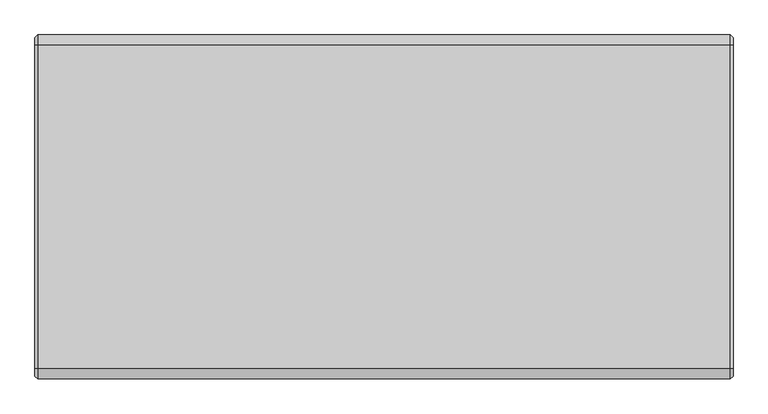
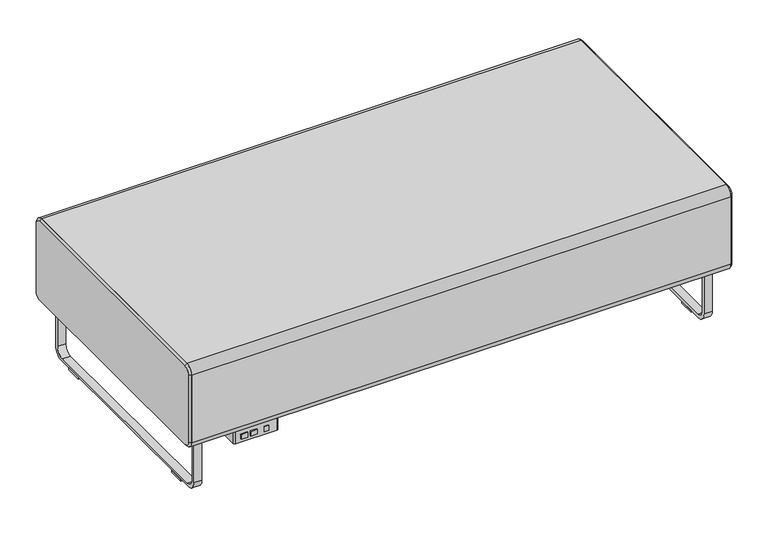
"""IFC4 building model written with IfcOpenShell, lengths in millimetres: furniture geometry."""

from ifc_helpers import new_model, si_unit, point, frame, frame_2d, origin, origin_with_axes, place, context, project, spatial, polyline, circle_curve, trimmed, segment, composite_curve, outline, extrude, source, transform, mapped, element, save
from ifc_brep_helpers import plane_surface, revolved_surface, advanced_brep


def furniture_1f493f3a(model_context):
    return source(origin(), model_context, "Body", "SolidModel", [
        extrude(outline(polyline([(-1084.8135905, -367.8609794), (-1098.6184165, -367.8609794), (-1098.6184165, -364.6859794), (-1084.8135905, -364.6859794), (-1084.8135905, -367.8609794)])), frame((0.0, 0.0, 148.4693805), z_axis=(0.0, 0.0, 1.0), x_axis=(1.0, 0.0, 0.0)), (0.0, 0.0, 1.0), 15.3288336),
        extrude(outline(polyline([(-1120.9260038, -367.8609794), (-1142.3402709, -367.8609794), (-1142.3402709, -364.6859794), (-1120.9260038, -364.6859794), (-1120.9260038, -367.8609794)])), frame((0.0, 0.0, 148.4693805), z_axis=(0.0, 0.0, 1.0), x_axis=(1.0, 0.0, 0.0)), (0.0, 0.0, 1.0), 15.3288336),
        extrude(outline(polyline([(-1151.1520036, -367.8609794), (-1172.0562055, -367.8609794), (-1172.0562055, -364.6859794), (-1151.1520036, -364.6859794), (-1151.1520036, -367.8609794)])), frame((0.0, 0.0, 148.4693805), z_axis=(0.0, 0.0, 1.0), x_axis=(1.0, 0.0, 0.0)), (0.0, 0.0, 1.0), 15.3288336),
        extrude(outline(composite_curve([segment(trimmed(circle_curve(frame_2d((-1053.3937537, -295.6297294)), 0.79375), [point((-1053.3937537, -294.8359794))], [point((-1052.6000037, -295.6297294))], False, "CARTESIAN"), True, "CONTINUOUS"), segment(polyline([(-1052.6000037, -295.6297294), (-1052.6000037, -358.3359794)]), True, "CONTINUOUS"), segment(trimmed(circle_curve(frame_2d((-1058.9500037, -358.3359794)), 6.35), [point((-1052.6000037, -358.3359794))], [point((-1058.9500037, -364.6859794))], False, "CARTESIAN"), True, "CONTINUOUS"), segment(polyline([(-1058.9500037, -364.6859794), (-1185.9500037, -364.6859794)]), True, "CONTINUOUS"), segment(trimmed(circle_curve(frame_2d((-1185.9500037, -358.3359794)), 6.35), [point((-1185.9500037, -364.6859794))], [point((-1192.3000037, -358.3359794))], False, "CARTESIAN"), True, "CONTINUOUS"), segment(polyline([(-1192.3000037, -358.3359794), (-1192.3000037, -295.6297294)]), True, "CONTINUOUS"), segment(trimmed(circle_curve(frame_2d((-1191.5062537, -295.6297294)), 0.79375), [point((-1192.3000037, -295.6297294))], [point((-1191.5062537, -294.8359794))], False, "CARTESIAN"), True, "CONTINUOUS"), segment(polyline([(-1191.5062537, -294.8359794), (-1053.3937537, -294.8359794)]), True, "CONTINUOUS")], self_intersect=False)), frame((0.0, 0.0, 136.525), z_axis=(0.0, 0.0, 1.0), x_axis=(1.0, 0.0, 0.0)), (0.0, 0.0, 1.0), 44.45),
        extrude(outline(composite_curve([segment(trimmed(circle_curve(frame_2d((-1043.0750037, -304.3609794)), 3.175), [point((-1043.0750037, -301.1859794))], [point((-1039.9000037, -304.3609794))], False, "CARTESIAN"), True, "CONTINUOUS"), segment(polyline([(-1039.9000037, -304.3609794), (-1039.9000037, -355.1609794)]), True, "CONTINUOUS"), segment(trimmed(circle_curve(frame_2d((-1043.0750037, -355.1609794)), 3.175), [point((-1039.9000037, -355.1609794))], [point((-1043.0750037, -358.3359794))], False, "CARTESIAN"), True, "CONTINUOUS"), segment(polyline([(-1043.0750037, -358.3359794), (-1201.8250037, -358.3359794)]), True, "CONTINUOUS"), segment(trimmed(circle_curve(frame_2d((-1201.8250037, -355.1609794)), 3.175), [point((-1201.8250037, -358.3359794))], [point((-1205.0000037, -355.1609794))], False, "CARTESIAN"), True, "CONTINUOUS"), segment(polyline([(-1205.0000037, -355.1609794), (-1205.0000037, -304.3609794)]), True, "CONTINUOUS"), segment(trimmed(circle_curve(frame_2d((-1201.8250037, -304.3609794)), 3.175), [point((-1205.0000037, -304.3609794))], [point((-1201.8250037, -301.1859794))], False, "CARTESIAN"), True, "CONTINUOUS"), segment(polyline([(-1201.8250037, -301.1859794), (-1043.0750037, -301.1859794)]), True, "CONTINUOUS")], self_intersect=False)), frame((0.0, 0.0, 180.975), z_axis=(0.0, 0.0, 1.0), x_axis=(1.0, 0.0, 0.0)), (0.0, 0.0, 1.0), 3.175),
        advanced_brep(
        [(-1346.2, 422.7140206, 450.85), (-1346.2, 441.7640206, 431.8), (-1346.2, 441.7640206, 209.55), (-1346.2, 422.7140206, 190.5), (-1346.2, -364.6859794, 190.5), (-1346.2, -383.7359794, 209.55), (-1346.2, -383.7359794, 431.8), (-1346.2, -364.6859794, 450.85), (-1339.85, 422.7140206, 457.2), (-1339.85, -364.6859794, 457.2), (-1339.85, -390.0859794, 431.8), (-1339.85, -390.0859794, 209.55), (-1339.85, -364.6859794, 184.15), (-1339.85, 422.7140206, 184.15), (-1339.85, 448.1140206, 209.55), (-1339.85, 448.1140206, 431.8)],
        [
            (0, 1, circle_curve(frame((-1346.2, 422.7140206, 431.8), z_axis=(-1.0, 1.2363443602225919e-12, 0.0), x_axis=(0.0, 0.0, 1.0)), 19.05)),
            (1, 2),
            (2, 3, circle_curve(frame((-1346.2, 422.7140206, 209.55), z_axis=(-1.0, -2.2595258997169582e-12, 0.0), x_axis=(-2.2595200572946624e-12, 1.0, 0.0)), 19.05)),
            (3, 4),
            (4, 5, circle_curve(frame((-1346.2, -364.6859794, 209.55), z_axis=(-1.0, 2.1849189124624325e-12, 0.0), x_axis=(0.0, 0.0, -1.0)), 19.05)),
            (5, 6),
            (6, 7, circle_curve(frame((-1346.2, -364.6859794, 431.8), z_axis=(-1.0, 0.0, 1.6093792964966497e-12), x_axis=(0.0, -1.0, 0.0)), 19.05)),
            (7, 0),
            (8, 9),
            (9, 10, circle_curve(frame((-1339.85, -364.6859794, 431.8), z_axis=(1.0, 0.0, -1.6093792964966497e-12), x_axis=(0.0, -1.0, 0.0)), 25.4)),
            (10, 11),
            (11, 12, circle_curve(frame((-1339.85, -364.6859794, 209.55), z_axis=(1.0, -2.1849189124624325e-12, 0.0), x_axis=(0.0, 0.0, -1.0)), 25.4)),
            (12, 13),
            (13, 14, circle_curve(frame((-1339.85, 422.7140206, 209.55), z_axis=(1.0, 2.2595258997169582e-12, 0.0), x_axis=(-2.2595200572946624e-12, 1.0, 0.0)), 25.4)),
            (14, 15),
            (15, 8, circle_curve(frame((-1339.85, 422.7140206, 431.8), z_axis=(1.0, -1.2363443602225919e-12, 0.0), x_axis=(0.0, 0.0, 1.0)), 25.4)),
            (14, 2),
            (1, 15),
            (12, 4),
            (3, 13),
            (10, 6),
            (5, 11),
            (8, 0),
            (7, 9),
        ],
        [
            plane_surface(frame((-1346.2, 29.0140206, 320.675), z_axis=(-1.0, 0.0, 0.0), x_axis=(0.0, 1.0, 0.0))),
            plane_surface(frame((-1339.85, 29.0140206, 320.675), z_axis=(1.0, 0.0, 0.0), x_axis=(0.0, 1.0, 0.0))),
            plane_surface(frame((-1339.85, 448.1140206, 320.675), z_axis=(-0.7071067811862762, 0.7071067811868188, 0.0), x_axis=(0.0, 0.0, -1.0))),
            plane_surface(frame((-1339.85, 29.0140206, 184.15), z_axis=(-0.7071067811863968, 0.0, -0.7071067811866982), x_axis=(0.0, -1.0, 0.0))),
            plane_surface(frame((-1339.85, -390.0859794, 320.675), z_axis=(-0.707106781186996, -0.7071067811860992, 0.0), x_axis=(0.0, 0.0, 1.0))),
            plane_surface(frame((-1339.85, 29.0140206, 457.2), z_axis=(-0.7071067811865701, 0.0, 0.7071067811865249), x_axis=(0.0, 1.0, 0.0))),
            revolved_surface(polyline([(-1346.2000000000237, 422.7140206, 450.8499999999763), (-1339.85, 422.7140206, 457.2)]), (-1365.25, 422.7140206, 431.8), (1.0, -1.2363443602225919e-12, 0.0)),
            revolved_surface(polyline([(-1346.200000000043, 441.76402059995684, 209.55), (-1339.85, 448.1140206, 209.55)]), (-1365.25, 422.7140206, 209.55), (1.0, 2.2595258997169582e-12, 0.0)),
            revolved_surface(polyline([(-1346.2, -364.6859794, 190.5000000000001), (-1339.8499999999444, -364.6859794, 184.1499999999445)]), (-1365.25, -364.6859794, 209.55), (1.0, -2.1849189124624325e-12, 0.0)),
            revolved_surface(polyline([(-1346.2000000000307, -383.7359793999692, 431.8), (-1339.85, -390.0859794, 431.8)]), (-1365.25, -364.6859794, 431.8), (1.0, 0.0, -1.6093792964966497e-12)),
        ],
        [
            (0, [[1, 2, 3, 4, 5, 6, 7, 8]]),
            (1, [[9, 10, 11, 12, 13, 14, 15, 16]]),
            (2, [[-15, 17, -2, 18]]),
            (3, [[-13, 19, -4, 20]]),
            (4, [[-11, 21, -6, 22]]),
            (5, [[-9, 23, -8, 24]]),
            (6, [[-16, -18, -1, -23]]),
            (7, [[-14, -20, -3, -17]]),
            (8, [[-12, -22, -5, -19]]),
            (9, [[-10, -24, -7, -21]]),
        ],
    ),
        advanced_brep(
        [(355.6, 422.7140206, 450.85), (355.6, -364.6859794, 450.85), (355.6, -383.7359794, 431.8), (355.6, -383.7359794, 209.55), (355.6, -364.6859794, 190.5), (355.6, 422.7140206, 190.5), (355.6, 441.7640206, 209.55), (355.6, 441.7640206, 431.8), (349.25, 422.7140206, 457.2), (349.25, 448.1140206, 431.8), (349.25, 448.1140206, 209.55), (349.25, 422.7140206, 184.15), (349.25, -364.6859794, 184.15), (349.25, -390.0859794, 209.55), (349.25, -390.0859794, 431.8), (349.25, -364.6859794, 457.2)],
        [
            (0, 1),
            (1, 2, circle_curve(frame((355.6, -364.6859794, 431.8), z_axis=(1.0, 0.0, 1.6093792965025676e-12), x_axis=(-1.6093447701453035e-12, 0.0, 1.0)), 19.05)),
            (2, 3),
            (3, 4, circle_curve(frame((355.6, -364.6859794, 209.55), z_axis=(1.0, 2.184918912470443e-12, 0.0), x_axis=(2.1849406655033985e-12, -1.0, 0.0)), 19.05)),
            (4, 5),
            (5, 6, circle_curve(frame((355.6, 422.7140206, 209.55), z_axis=(1.0, -2.2595258997253868e-12, 0.0), x_axis=(0.0, 0.0, -1.0)), 19.05)),
            (6, 7),
            (7, 0, circle_curve(frame((355.6, 422.7140206, 431.8), z_axis=(1.0, 1.2363443602271248e-12, 0.0), x_axis=(-1.236290801964376e-12, 1.0, 0.0)), 19.05)),
            (8, 9, circle_curve(frame((349.25, 422.7140206, 431.8), z_axis=(-1.0, -1.2363443602271248e-12, 0.0), x_axis=(-1.236290801964376e-12, 1.0, 0.0)), 25.4)),
            (9, 10),
            (10, 11, circle_curve(frame((349.25, 422.7140206, 209.55), z_axis=(-1.0, 2.2595258997253868e-12, 0.0), x_axis=(0.0, 0.0, -1.0)), 25.4)),
            (11, 12),
            (12, 13, circle_curve(frame((349.25, -364.6859794, 209.55), z_axis=(-1.0, -2.184918912470443e-12, 0.0), x_axis=(2.1849406655033985e-12, -1.0, 0.0)), 25.4)),
            (13, 14),
            (14, 15, circle_curve(frame((349.25, -364.6859794, 431.8), z_axis=(-1.0, 0.0, -1.6093792965025676e-12), x_axis=(-1.6093447701453035e-12, 0.0, 1.0)), 25.4)),
            (15, 8),
            (9, 7),
            (6, 10),
            (11, 5),
            (4, 12),
            (13, 3),
            (2, 14),
            (15, 1),
            (0, 8),
        ],
        [
            plane_surface(frame((355.6, 29.0140206, 320.675), z_axis=(1.0, 0.0, 0.0), x_axis=(0.0, -1.0, 0.0))),
            plane_surface(frame((349.25, 29.0140206, 320.675), z_axis=(-1.0, 0.0, 0.0), x_axis=(0.0, -1.0, 0.0))),
            plane_surface(frame((349.25, 448.1140206, 320.675), z_axis=(0.7071067811875688, 0.7071067811855264, 0.0), x_axis=(0.0, 0.0, 1.0))),
            plane_surface(frame((349.25, 29.0140206, 184.15), z_axis=(0.7071067811876818, 0.0, -0.7071067811854133), x_axis=(0.0, 1.0, 0.0))),
            plane_surface(frame((349.25, -390.0859794, 320.675), z_axis=(0.7071067811883035, -0.7071067811847915, 0.0), x_axis=(0.0, 0.0, -1.0))),
            plane_surface(frame((349.25, 29.0140206, 457.2), z_axis=(0.7071067811878551, 0.0, 0.70710678118524), x_axis=(0.0, -1.0, 0.0))),
            revolved_surface(polyline([(355.6, 441.7640206, 431.8), (349.2499999999686, 448.1140206000314, 431.8)]), (374.65, 422.7140206, 431.8), (-1.0, -1.2363443602271248e-12, 0.0)),
            revolved_surface(polyline([(355.6, 422.7140206, 190.50000000000003), (349.2499999999426, 422.7140206, 184.14999999994262)]), (374.65, 422.7140206, 209.55), (-1.0, 2.2595258997253868e-12, 0.0)),
            revolved_surface(polyline([(355.60000000004163, -383.73597939995835, 209.55), (349.25, -390.0859794, 209.55)]), (374.65, -364.6859794, 209.55), (-1.0, -2.184918912470443e-12, 0.0)),
            revolved_surface(polyline([(355.6, -364.6859794, 450.84999999999997), (349.24999999995913, -364.6859794, 457.20000000004086)]), (374.65, -364.6859794, 431.8), (-1.0, 0.0, -1.6093792965025676e-12)),
        ],
        [
            (0, [[1, 2, 3, 4, 5, 6, 7, 8]]),
            (1, [[9, 10, 11, 12, 13, 14, 15, 16]]),
            (2, [[-10, 17, -7, 18]]),
            (3, [[-12, 19, -5, 20]]),
            (4, [[-14, 21, -3, 22]]),
            (5, [[-16, 23, -1, 24]]),
            (6, [[-9, -24, -8, -17]]),
            (7, [[-11, -18, -6, -19]]),
            (8, [[-13, -20, -4, -21]]),
            (9, [[-15, -22, -2, -23]]),
        ],
    ),
        extrude(outline(composite_curve([segment(trimmed(circle_curve(frame_2d((371.5140283, 38.1)), 31.75), [point((403.2640283, 38.1))], [point((371.5140283, 6.35))], False, "CARTESIAN"), True, "CONTINUOUS"), segment(polyline([(371.5140283, 6.35), (-313.4859554, 6.35)]), True, "CONTINUOUS"), segment(trimmed(circle_curve(frame_2d((-313.4859554, 38.1)), 31.75), [point((-313.4859554, 6.35))], [point((-345.2359554, 38.1))], False, "CARTESIAN"), True, "CONTINUOUS"), segment(polyline([(-345.2359554, 38.1), (-345.2359554, 177.8), (-335.7109554, 177.8), (-335.7109554, 41.275)]), True, "CONTINUOUS"), segment(trimmed(circle_curve(frame_2d((-310.3109554, 41.275)), 25.4), [point((-335.7109554, 41.275))], [point((-310.3109554, 15.875))], True, "CARTESIAN"), True, "CONTINUOUS"), segment(polyline([(-310.3109554, 15.875), (368.3390283, 15.875)]), True, "CONTINUOUS"), segment(trimmed(circle_curve(frame_2d((368.3390283, 41.275)), 25.4), [point((368.3390283, 15.875))], [point((393.7390283, 41.275))], True, "CARTESIAN"), True, "CONTINUOUS"), segment(polyline([(393.7390283, 41.275), (393.7390283, 177.8), (403.2640283, 177.8), (403.2640283, 38.1)]), True, "CONTINUOUS")], self_intersect=False)), frame((290.5999947, 0.0, 0.0), z_axis=(1.0, 0.0, 0.0), x_axis=(0.0, 1.0, 0.0)), (0.0, 0.0, 1.0), 25.3999758),
        extrude(outline(polyline([(255.6749825, -345.2359554), (255.6749825, -284.9110039), (315.9999704, -284.9110039), (315.9999704, -345.2359554), (255.6749825, -345.2359554)])), frame((0.0, 0.0, 177.8), z_axis=(0.0, 0.0, 1.0), x_axis=(1.0, 0.0, 0.0)), (0.0, 0.0, 1.0), 6.35),
        extrude(outline(polyline([(255.6749825, 403.2640283), (315.9999704, 403.2640283), (315.9999704, 342.9390268), (255.6749825, 342.9390268), (255.6749825, 403.2640283)])), frame((0.0, 0.0, 177.8), z_axis=(0.0, 0.0, 1.0), x_axis=(1.0, 0.0, 0.0)), (0.0, 0.0, 1.0), 6.35),
        extrude(outline(polyline([(290.5999947, -275.3109358), (290.5999947, -224.5109842), (315.9999704, -224.5109842), (315.9999704, -275.3109358), (290.5999947, -275.3109358)])), origin_with_axes(), (0.0, 0.0, 1.0), 6.35),
        extrude(outline(polyline([(290.5999947, 333.3390314), (315.9999704, 333.3390314), (315.9999704, 282.5390253), (290.5999947, 282.5390253), (290.5999947, 333.3390314)])), origin_with_axes(), (0.0, 0.0, 1.0), 6.35),
        extrude(outline(polyline([(-1246.2750007, -345.2359554), (-1306.6000022, -345.2359554), (-1306.6000022, -284.9110039), (-1246.2750007, -284.9110039), (-1246.2750007, -345.2359554)])), frame((0.0, 0.0, 177.8), z_axis=(0.0, 0.0, 1.0), x_axis=(1.0, 0.0, 0.0)), (0.0, 0.0, 1.0), 6.35),
        extrude(outline(polyline([(-1246.2750007, 403.2640283), (-1246.2750007, 342.9390268), (-1306.6000022, 342.9390268), (-1306.6000022, 403.2640283), (-1246.2750007, 403.2640283)])), frame((0.0, 0.0, 177.8), z_axis=(0.0, 0.0, 1.0), x_axis=(1.0, 0.0, 0.0)), (0.0, 0.0, 1.0), 6.35),
        extrude(outline(polyline([(-1281.2000037, -275.3109358), (-1306.6000022, -275.3109358), (-1306.6000022, -224.5109842), (-1281.2000037, -224.5109842), (-1281.2000037, -275.3109358)])), origin_with_axes(), (0.0, 0.0, 1.0), 6.35),
        extrude(outline(polyline([(-1281.2000037, 333.3390314), (-1281.2000037, 282.5390253), (-1306.6000022, 282.5390253), (-1306.6000022, 333.3390314), (-1281.2000037, 333.3390314)])), origin_with_axes(), (0.0, 0.0, 1.0), 6.35),
        extrude(outline(composite_curve([segment(trimmed(circle_curve(frame_2d((371.5140283, 38.1)), 31.75), [point((403.2640283, 38.1))], [point((371.5140283, 6.35))], False, "CARTESIAN"), True, "CONTINUOUS"), segment(polyline([(371.5140283, 6.35), (-313.4859554, 6.35)]), True, "CONTINUOUS"), segment(trimmed(circle_curve(frame_2d((-313.4859554, 38.1)), 31.75), [point((-313.4859554, 6.35))], [point((-345.2359554, 38.1))], False, "CARTESIAN"), True, "CONTINUOUS"), segment(polyline([(-345.2359554, 38.1), (-345.2359554, 177.8), (-335.7109554, 177.8), (-335.7109554, 41.275)]), True, "CONTINUOUS"), segment(trimmed(circle_curve(frame_2d((-310.3109554, 41.275)), 25.4), [point((-335.7109554, 41.275))], [point((-310.3109554, 15.875))], True, "CARTESIAN"), True, "CONTINUOUS"), segment(polyline([(-310.3109554, 15.875), (368.3390283, 15.875)]), True, "CONTINUOUS"), segment(trimmed(circle_curve(frame_2d((368.3390283, 41.275)), 25.4), [point((368.3390283, 15.875))], [point((393.7390283, 41.275))], True, "CARTESIAN"), True, "CONTINUOUS"), segment(polyline([(393.7390283, 41.275), (393.7390283, 177.8), (403.2640283, 177.8), (403.2640283, 38.1)]), True, "CONTINUOUS")], self_intersect=False)), frame((-1306.6000022, 0.0, 0.0), z_axis=(1.0, 0.0, 0.0), x_axis=(0.0, 1.0, 0.0)), (0.0, 0.0, 1.0), 25.3999985),
        extrude(outline(composite_curve([segment(polyline([(-364.6859794, 457.2), (422.7140206, 457.2)]), True, "CONTINUOUS"), segment(trimmed(circle_curve(frame_2d((422.7140206, 431.8)), 25.4), [point((422.7140206, 457.2))], [point((448.1140206, 431.8))], False, "CARTESIAN"), True, "CONTINUOUS"), segment(polyline([(448.1140206, 431.8), (448.1140206, 209.55)]), True, "CONTINUOUS"), segment(trimmed(circle_curve(frame_2d((422.7140206, 209.55)), 25.4), [point((448.1140206, 209.55))], [point((422.7140206, 184.15))], False, "CARTESIAN"), True, "CONTINUOUS"), segment(polyline([(422.7140206, 184.15), (-364.6859794, 184.15)]), True, "CONTINUOUS"), segment(trimmed(circle_curve(frame_2d((-364.6859794, 209.55)), 25.4), [point((-364.6859794, 184.15))], [point((-390.0859794, 209.55))], False, "CARTESIAN"), True, "CONTINUOUS"), segment(polyline([(-390.0859794, 209.55), (-390.0859794, 431.8)]), True, "CONTINUOUS"), segment(trimmed(circle_curve(frame_2d((-364.6859794, 431.8)), 25.4), [point((-390.0859794, 431.8))], [point((-364.6859794, 457.2))], False, "CARTESIAN"), True, "CONTINUOUS")], self_intersect=False)), frame((-1339.85, 0.0, 0.0), z_axis=(1.0, 0.0, 0.0), x_axis=(0.0, 1.0, 0.0)), (0.0, 0.0, 1.0), 1689.1),
    ])


if __name__ == "__main__":
    model = new_model("IFC4")
    model_context = context("Model", 3, world=origin())
    ifc_project = project(units=[si_unit("LENGTHUNIT", "METRE", prefix="MILLI")], contexts=[model_context])
    site = spatial("IfcSite", under=ifc_project)
    building = spatial("IfcBuilding", under=site)
    placement = place(None, origin())
    furniture_shape = furniture_1f493f3a(model_context)
    element("IfcFurniture", 1, at=placement, inside=building, context=model_context, shape_type="MappedRepresentation", body=[
        mapped(furniture_shape, transform((0.0, 0.0, 0.0), x_axis=(1.0, 0.0, 0.0), y_axis=(0.0, 1.0, 0.0), z_axis=(0.0, 0.0, 1.0))),
    ])
    save(model, "model.ifc")
